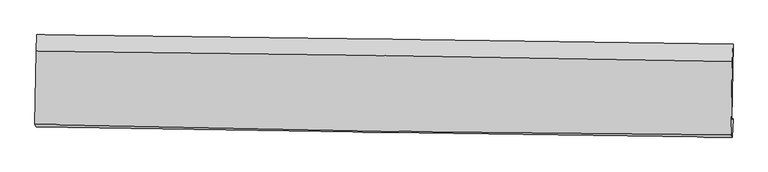
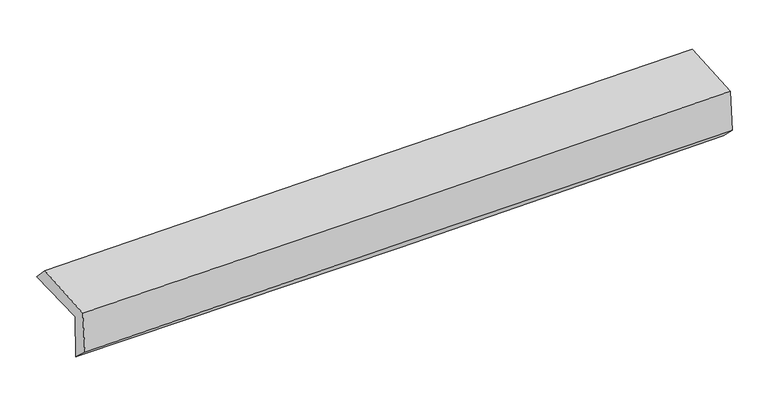
"""IFC4 building model written with IfcOpenShell, lengths in millimetres: proxy geometry."""

from ifc_helpers import new_model, si_unit, frame, origin, place, context, project, spatial, source, transform, mapped, element, save
from ifc_brep_helpers import plane_surface, spline_curve, spline_surface, advanced_brep


def generic_models_a1cc22b8(model_context):
    return source(origin(), model_context, "Body", "AdvancedBrep", [
        advanced_brep(
        [(-3025.5920401, -1752.9668731, 1961.3847383), (-3013.9709344, -1104.8472052, 1960.5627261), (3013.581754, -1185.8984462, 2114.4299718), (3002.1395893, -1843.696032, 2101.8126728), (-3014.6412478, -1740.9338404, 1551.6811107), (3013.0150285, -1836.0246466, 1692.0056813), (-3021.3520077, -1902.1323796, 1697.6857058), (3006.103508, -1993.0669211, 1848.5108734), (-3030.9341274, -1883.2748789, 2076.2547714), (2996.5394014, -1974.458495, 2226.2223701), (-3020.4494474, -1246.6211427, 2110.971422), (3007.2429861, -1338.5286403, 2252.09038)],
        [
            (0, 1),
            (1, 2, spline_curve(3, [(-3013.9709344, -1104.8472052, 1960.5627261), (-2009.200607614, -1117.140323152, 1980.183822693), (-1004.518701033, -1130.041162363, 2002.816662949), (1004.665527738, -1157.058246162, 2054.105761447), (2009.167850873, -1171.174487298, 2082.762002824), (3013.581754, -1185.8984462, 2114.4299718)], [4, 2, 4], [0.0, 9.891907255237166, 19.783787507983682])),
            (2, 3),
            (3, 0, spline_curve(3, [(3002.1395893, -1843.696032, 2101.8126728), (1997.644101572, -1833.64651903, 2070.065516025), (993.086074227, -1821.061013262, 2042.489619732), (-1016.157802003, -1790.81797386, 1995.680285579), (-2020.843651257, -1773.160426895, 1976.446870153), (-3025.5920401, -1752.9668731, 1961.3847383)], [4, 2, 4], [0.0, 9.891880252746516, 19.783787507983682])),
            (4, 0),
            (3, 5),
            (5, 4, spline_curve(3, [(3013.0150285, -1836.0246466, 1692.0056813), (2008.555044615, -1823.79669825, 1660.391491832), (1004.021048459, -1809.758503571, 1632.890693101), (-1005.197709601, -1778.061578366, 1586.115813857), (-2009.882472561, -1760.402837359, 1566.841755598), (-3014.6412478, -1740.9338404, 1551.6811107)], [4, 2, 4], [0.0, 9.891917602653349, 19.783862207899304])),
            (6, 4),
            (5, 7),
            (7, 6, spline_curve(3, [(3006.103508, -1993.0669211, 1848.5108734), (2001.285275705, -1979.818144747, 1831.266015167), (996.588885208, -1965.615889911, 1810.074844983), (-1012.562954259, -1935.304381317, 1759.799810398), (-2017.018402182, -1919.195122323, 1730.715925129), (-3021.3520077, -1902.1323796, 1697.6857058)], [4, 2, 4], [0.0, 9.89178065871538, 19.783588319649542])),
            (8, 6),
            (7, 9),
            (9, 8, spline_curve(3, [(2996.5394014, -1974.458495, 2226.2223701), (1991.721887412, -1967.816668014, 2204.437381436), (987.024354889, -1956.897136089, 2181.047606617), (-1022.133488548, -1926.502621026, 2131.058415754), (-2026.593799266, -1907.027614072, 2104.458991264), (-3030.9341274, -1883.2748789, 2076.2547714)], [4, 2, 4], [0.0, 9.891849059268164, 19.783725120941828])),
            (10, 8),
            (9, 11),
            (11, 10, spline_curve(3, [(3007.2429861, -1338.5286403, 2252.09038), (2002.809630873, -1317.987507565, 2225.138054298), (998.285936293, -1300.057989942, 2199.901992027), (-1010.944874451, -1269.422142843, 2152.862329969), (-2015.65199106, -1256.715827968, 2131.058739754), (-3020.4494474, -1246.6211427, 2110.971422)], [4, 2, 4], [0.0, 9.891779943521382, 19.783586889259595])),
            (1, 10),
            (11, 2),
        ],
        [
            spline_surface(3, 3, [[(-3025.5920401, -1752.9668731, 1961.3847383), (-2020.843651122, -1773.160426955, 1976.446870108), (-1016.15780195, -1790.817973999, 1995.680285527), (993.086074174, -1821.061013123, 2042.489619784), (1997.644101471, -1833.64651904, 2070.065515897), (3002.1395893, -1843.696032, 2101.8126728)], [(-3021.718338203, -1536.9269838, 1961.11073422), (-2016.962636578, -1554.487059051, 1977.692520958), (-1012.278101687, -1570.559036804, 1998.059078028), (996.94589205, -1599.72675744, 2046.361666986), (2001.485351286, -1612.822508439, 2074.297678261), (3005.953644176, -1624.430170073, 2106.018439155)], [(-3017.844636297, -1320.8870945, 1960.83673018), (-2013.081622025, -1335.813691147, 1978.93817185), (-1008.398401392, -1350.300099627, 2000.437870517), (1000.805709958, -1378.392501776, 2050.233714177), (2005.326601175, -1391.998497819, 2078.52984056), (3009.767699124, -1405.164308127, 2110.224205445)], [(-3013.9709344, -1104.8472052, 1960.5627261), (-2009.200607482, -1117.140323243, 1980.1838227), (-1004.518701128, -1130.041162432, 2002.816663018), (1004.665527834, -1157.058246093, 2054.105761379), (2009.167850991, -1171.174487218, 2082.762002924), (3013.581754, -1185.8984462, 2114.4299718)]], [4, 4], [4, 2, 4], [0.0, 2.1737462567686214], [0.0, 9.891907255237166, 19.783787507983682]),
            spline_surface(3, 3, [[(-3014.6412478, -1740.9338404, 1551.6811107), (-2009.882472571, -1760.402837441, 1566.841755587), (-1005.197709752, -1778.06157822, 1586.115813813), (1004.02104861, -1809.758503718, 1632.890693145), (2008.55504456, -1823.796698376, 1660.39149177), (3013.0150285, -1836.0246466, 1692.0056813)], [(-3018.291511877, -1744.944851283, 1688.248986567), (-2013.536198731, -1764.655367262, 1703.376793761), (-1008.851073804, -1782.313710147, 1722.637304388), (1000.376057145, -1813.526006853, 1769.423668694), (2004.918063554, -1827.079971936, 1796.949499788), (3009.389882124, -1838.581775071, 1828.608011776)], [(-3021.941776023, -1748.955862217, 1824.816862433), (-2017.189924961, -1768.907897133, 1839.911831934), (-1012.504437898, -1786.565842072, 1859.158794952), (996.731065639, -1817.293509987, 1905.956644234), (2001.281082476, -1830.363245481, 1933.507507879), (3005.764735676, -1841.138903529, 1965.210342324)], [(-3025.5920401, -1752.9668731, 1961.3847383), (-2020.843651122, -1773.160426955, 1976.446870108), (-1016.15780195, -1790.817973999, 1995.680285527), (993.086074174, -1821.061013123, 2042.489619784), (1997.644101471, -1833.64651904, 2070.065515897), (3002.1395893, -1843.696032, 2101.8126728)]], [4, 4], [4, 2, 4], [0.0, 1.3448311384464184], [0.0, 9.891944605245955, 19.783862207899304]),
            spline_surface(3, 3, [[(-3021.3520077, -1902.1323796, 1697.6857058), (-2017.01840225, -1919.195122392, 1730.715925085), (-1012.562954138, -1935.30438129, 1759.799810545), (996.588885087, -1965.615889939, 1810.074844836), (2001.285275554, -1979.818144831, 1831.266015304), (3006.103508, -1993.0669211, 1848.5108734)], [(-3019.115087739, -1848.399533221, 1649.017507424), (-2014.639759029, -1866.264360763, 1676.09120191), (-1010.107872685, -1882.890113597, 1701.905144992), (999.066272919, -1913.663427862, 1751.013460963), (2003.708531889, -1927.810995994, 1774.307840822), (3008.407348166, -1940.719496247, 1796.342476063)], [(-3016.878167761, -1794.666686779, 1600.349309076), (-2012.261115792, -1813.33359907, 1621.466478762), (-1007.652791205, -1830.475845912, 1644.010479366), (1001.543660778, -1861.710965794, 1691.952077017), (2006.131788225, -1875.803847214, 1717.349666252), (3010.711188334, -1888.372071453, 1744.174078637)], [(-3014.6412478, -1740.9338404, 1551.6811107), (-2009.882472571, -1760.402837441, 1566.841755587), (-1005.197709752, -1778.06157822, 1586.115813813), (1004.02104861, -1809.758503718, 1632.890693145), (2008.55504456, -1823.796698376, 1660.39149177), (3013.0150285, -1836.0246466, 1692.0056813)]], [4, 4], [4, 2, 4], [0.0, 0.7717982259346642], [0.0, 9.891807660934163, 19.783588319649542]),
            spline_surface(3, 3, [[(-3030.9341274, -1883.2748789, 2076.2547714), (-2026.593799177, -1907.027614036, 2104.458991152), (-1022.133488614, -1926.502620896, 2131.058415785), (987.024354955, -1956.897136219, 2181.047606586), (1991.721887364, -1967.816668105, 2204.437381529), (2996.5394014, -1974.458495, 2226.2223701)], [(-3027.740087507, -1889.560712444, 1950.065082872), (-2023.402000209, -1911.083450132, 1979.877969136), (-1018.943310471, -1929.436541036, 2007.305547347), (990.21253165, -1959.803387468, 2057.390019311), (1994.909683432, -1971.817160369, 2080.0469261), (2999.727436939, -1980.661303722, 2100.318537846)], [(-3024.546047593, -1895.846546056, 1823.875394328), (-2020.210201218, -1915.139286296, 1855.296947102), (-1015.753132281, -1932.370461149, 1883.552678983), (993.400708392, -1962.70963869, 1933.73243211), (1998.097479486, -1975.817652567, 1955.656470732), (3002.915472461, -1986.864112378, 1974.414705654)], [(-3021.3520077, -1902.1323796, 1697.6857058), (-2017.01840225, -1919.195122392, 1730.715925085), (-1012.562954138, -1935.30438129, 1759.799810545), (996.588885087, -1965.615889939, 1810.074844836), (2001.285275554, -1979.818144831, 1831.266015304), (3006.103508, -1993.0669211, 1848.5108734)]], [4, 4], [4, 2, 4], [0.0, 1.2183147513371073], [0.0, 9.891876061673663, 19.783725120941828]),
            spline_surface(3, 3, [[(-3020.4494474, -1246.6211427, 2110.971422), (-2015.651990915, -1256.715828121, 2131.058739611), (-1010.94487442, -1269.422142997, 2152.862329985), (998.285936262, -1300.057989789, 2199.901992011), (2002.809630917, -1317.987507445, 2225.138054325), (3007.2429861, -1338.5286403, 2252.09038)], [(-3023.944340722, -1458.839054783, 2099.399205142), (-2019.299260324, -1473.486423442, 2122.192156801), (-1014.674412474, -1488.448968953, 2145.594358598), (994.532075837, -1519.004371922, 2193.617196882), (1999.113716383, -1534.597227657, 2218.237830075), (3003.675124517, -1550.505258525, 2243.467710048)], [(-3027.439234078, -1671.056966817, 2087.826988258), (-2022.946529768, -1690.257018715, 2113.325573963), (-1018.40395056, -1707.47579494, 2138.326387172), (990.77821538, -1737.950754086, 2187.332401715), (1995.417801898, -1751.206947893, 2211.337605779), (3000.107262983, -1762.481876775, 2234.845040052)], [(-3030.9341274, -1883.2748789, 2076.2547714), (-2026.593799177, -1907.027614036, 2104.458991152), (-1022.133488614, -1926.502620896, 2131.058415785), (987.024354955, -1956.897136219, 2181.047606586), (1991.721887364, -1967.816668105, 2204.437381529), (2996.5394014, -1974.458495, 2226.2223701)]], [4, 4], [4, 2, 4], [0.0, 2.15672611008244], [0.0, 9.891806945738214, 19.783586889259595]),
            spline_surface(3, 3, [[(-3013.9709344, -1104.8472052, 1960.5627261), (-2009.200607482, -1117.140323243, 1980.1838227), (-1004.518701128, -1130.041162432, 2002.816663018), (1004.665527834, -1157.058246093, 2054.105761379), (2009.167850991, -1171.174487218, 2082.762002924), (3013.581754, -1185.8984462, 2114.4299718)], [(-3016.130438752, -1152.105184369, 2010.698958075), (-2011.351068644, -1163.665491538, 2030.475461679), (-1006.660758881, -1176.501489297, 2052.83188532), (1002.538997321, -1204.724827334, 2102.704504903), (2007.048444312, -1220.112160622, 2130.220686703), (3011.468831379, -1236.775177561, 2160.316774512)], [(-3018.289943048, -1199.363163531, 2060.835190025), (-2013.501529752, -1210.190659826, 2080.767100633), (-1008.802816667, -1222.961816132, 2102.847107683), (1000.412466775, -1252.391408547, 2151.303248487), (2004.929037596, -1269.049834042, 2177.679370547), (3009.355908721, -1287.651908939, 2206.203577288)], [(-3020.4494474, -1246.6211427, 2110.971422), (-2015.651990915, -1256.715828121, 2131.058739611), (-1010.94487442, -1269.422142997, 2152.862329985), (998.285936262, -1300.057989789, 2199.901992011), (2002.809630917, -1317.987507445, 2225.138054325), (3007.2429861, -1338.5286403, 2252.09038)]], [4, 4], [4, 2, 4], [0.0, 0.6712210571523545], [0.0, 9.891870089253207, 19.783713176117217]),
            plane_surface(frame((3006.4370445, -1695.2788635, 2039.1786582), z_axis=(0.9994969272402732, -0.017888256926852072, 0.026189744202097562), x_axis=(0.025282437735682776, -0.04919083348209273, -0.9984693586903298))),
            plane_surface(frame((-3021.1566341, -1605.1293867, 1893.0900791), z_axis=(-0.9994969272402792, 0.017888256926593956, -0.02618974420203999), x_axis=(-0.01792759773577113, -0.9998384835392331, 0.0012680983365450302))),
        ],
        [
            (0, [[1, 2, 3, 4]]),
            (1, [[5, -4, 6, 7]]),
            (2, [[8, -7, 9, 10]]),
            (3, [[11, -10, 12, 13]]),
            (4, [[14, -13, 15, 16]]),
            (5, [[17, -16, 18, -2]]),
            (6, [[-12, -9, -6, -3, -18, -15]]),
            (7, [[-1, -5, -8, -11, -14, -17]]),
        ],
    ),
    ])


if __name__ == "__main__":
    model = new_model("IFC4")
    model_context = context("Model", 3, world=origin())
    ifc_project = project(units=[si_unit("LENGTHUNIT", "METRE", prefix="MILLI")], contexts=[model_context])
    site = spatial("IfcSite", under=ifc_project)
    building = spatial("IfcBuilding", under=site)
    placement = place(None, origin())
    generic_models_shape = generic_models_a1cc22b8(model_context)
    element("IfcBuildingElementProxy", 1, Name="Generic Models", at=placement, inside=building, context=model_context, shape_type="MappedRepresentation", body=[
        mapped(generic_models_shape, transform((0.0, 0.0, 0.0), x_axis=(1.0, 0.0, 0.0), y_axis=(0.0, 1.0, 0.0), z_axis=(0.0, 0.0, 1.0))),
    ])
    save(model, "model.ifc")
